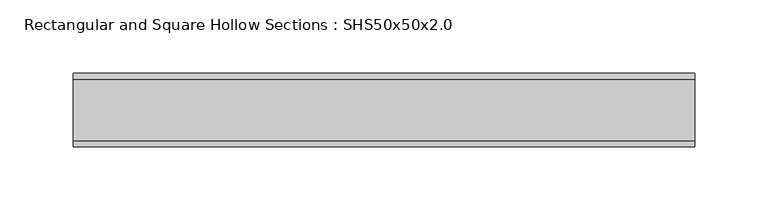
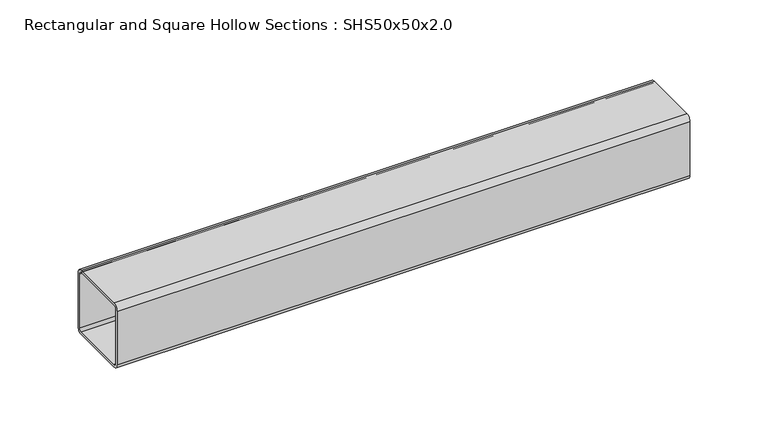
"""IFC4 building model written with IfcOpenShell, lengths in millimetres: beam geometry, Rectangular and Square Hollow Sections : SHS50x50x2.0."""

from ifc_helpers import new_model, si_unit, point, frame, frame_2d, origin, place, context, project, spatial, polyline, circle_curve, trimmed, segment, composite_curve, outline, extrude, source, transform, mapped, element, save


def rectangular_and_square_hollow_sections_shs50x50x2_0_1b736067(model_context):
    return source(origin(), model_context, "Body", "SweptSolid", [
        extrude(outline(composite_curve([segment(polyline([(25.0, 21.0), (25.0, -21.0)]), True, "CONTINUOUS"), segment(trimmed(circle_curve(frame_2d((21.0, -21.0)), 4.0), [point((25.0, -21.0))], [point((21.0, -25.0))], False, "CARTESIAN"), True, "CONTINUOUS"), segment(polyline([(21.0, -25.0), (-21.0, -25.0)]), True, "CONTINUOUS"), segment(trimmed(circle_curve(frame_2d((-21.0, -21.0)), 4.0), [point((-21.0, -25.0))], [point((-25.0, -21.0))], False, "CARTESIAN"), True, "CONTINUOUS"), segment(polyline([(-25.0, -21.0), (-25.0, 21.0)]), True, "CONTINUOUS"), segment(trimmed(circle_curve(frame_2d((-21.0, 21.0)), 4.0), [point((-25.0, 21.0))], [point((-21.0, 25.0))], False, "CARTESIAN"), True, "CONTINUOUS"), segment(polyline([(-21.0, 25.0), (21.0, 25.0)]), True, "CONTINUOUS"), segment(trimmed(circle_curve(frame_2d((21.0, 21.0)), 4.0), [point((21.0, 25.0))], [point((25.0, 21.0))], False, "CARTESIAN"), True, "CONTINUOUS")], self_intersect=False), holes=[composite_curve([segment(trimmed(circle_curve(frame_2d((-21.0, 21.0)), 2.0), [point((-21.0, 23.0))], [point((-23.0, 21.0))], True, "CARTESIAN"), True, "CONTINUOUS"), segment(polyline([(-23.0, 21.0), (-23.0, -21.0)]), True, "CONTINUOUS"), segment(trimmed(circle_curve(frame_2d((-21.0, -21.0)), 2.0), [point((-23.0, -21.0))], [point((-21.0, -23.0))], True, "CARTESIAN"), True, "CONTINUOUS"), segment(polyline([(-21.0, -23.0), (21.0, -23.0)]), True, "CONTINUOUS"), segment(trimmed(circle_curve(frame_2d((21.0, -21.0)), 2.0), [point((21.0, -23.0))], [point((23.0, -21.0))], True, "CARTESIAN"), True, "CONTINUOUS"), segment(polyline([(23.0, -21.0), (23.0, 21.0)]), True, "CONTINUOUS"), segment(trimmed(circle_curve(frame_2d((21.0, 21.0)), 2.0), [point((23.0, 21.0))], [point((21.0, 23.0))], True, "CARTESIAN"), True, "CONTINUOUS"), segment(polyline([(21.0, 23.0), (-21.0, 23.0)]), True, "CONTINUOUS")], self_intersect=False)]), frame((-212.0, 0.0, 0.0), z_axis=(1.0, 0.0, 0.0), x_axis=(0.0, 1.0, 0.0)), (0.0, 0.0, 1.0), 424.0),
    ])


if __name__ == "__main__":
    model = new_model("IFC4")
    model_context = context("Model", 3, world=origin())
    ifc_project = project(units=[si_unit("LENGTHUNIT", "METRE", prefix="MILLI")], contexts=[model_context])
    site = spatial("IfcSite", under=ifc_project)
    building = spatial("IfcBuilding", under=site)
    placement = place(None, origin())
    rectangular_and_square_hollow_sections_shs50x50x2_0_shape = rectangular_and_square_hollow_sections_shs50x50x2_0_1b736067(model_context)
    element("IfcBeam", 1, ObjectType="Rectangular and Square Hollow Sections : SHS50x50x2.0", at=placement, inside=building, context=model_context, shape_type="MappedRepresentation", body=[
        mapped(rectangular_and_square_hollow_sections_shs50x50x2_0_shape, transform((0.0, 0.0, 0.0), x_axis=(1.0, 0.0, 0.0), y_axis=(0.0, 1.0, 0.0), z_axis=(0.0, 0.0, 1.0))),
    ])
    save(model, "model.ifc")
